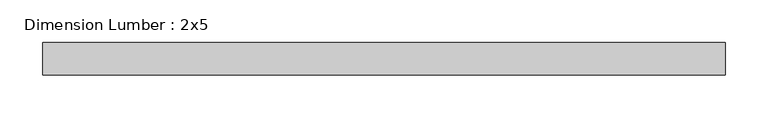
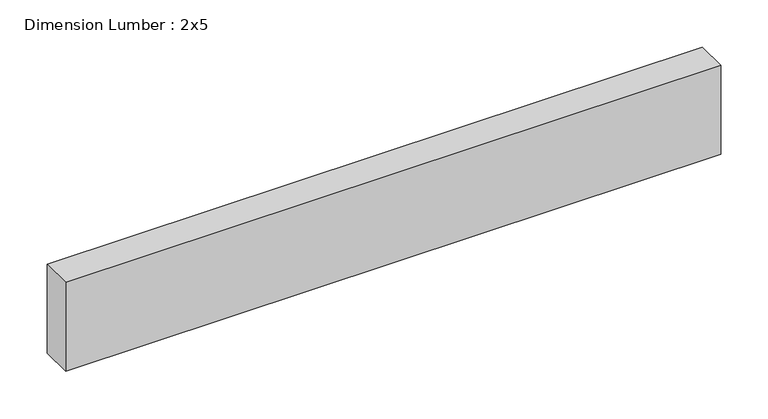
"""IFC4 building model written with IfcOpenShell, lengths in millimetres: beam geometry, Dimension Lumber : 2x5."""

from ifc_helpers import new_model, si_unit, frame, origin, place, context, project, spatial, polyline, outline, extrude, source, transform, mapped, element, save


def dimension_lumber_2x5_621cfc67(model_context):
    return source(origin(), model_context, "Body", "SweptSolid", [
        extrude(outline(polyline([(398.4697916, 19.05), (398.4697916, -19.05), (-398.4697916, -19.05), (-398.4697916, 19.05), (398.4697916, 19.05)])), frame((0.0, 0.0, -57.15), z_axis=(0.0, 0.0, 1.0), x_axis=(1.0, 0.0, 0.0)), (0.0, 0.0, 1.0), 114.3),
    ])


if __name__ == "__main__":
    model = new_model("IFC4")
    model_context = context("Model", 3, world=origin())
    ifc_project = project(units=[si_unit("LENGTHUNIT", "METRE", prefix="MILLI")], contexts=[model_context])
    site = spatial("IfcSite", under=ifc_project)
    building = spatial("IfcBuilding", under=site)
    placement = place(None, origin())
    dimension_lumber_2x5_shape = dimension_lumber_2x5_621cfc67(model_context)
    element("IfcBeam", 1, ObjectType="Dimension Lumber : 2x5", at=placement, inside=building, context=model_context, shape_type="MappedRepresentation", body=[
        mapped(dimension_lumber_2x5_shape, transform((0.0, 0.0, 0.0), x_axis=(1.0, 0.0, 0.0), y_axis=(0.0, 1.0, 0.0), z_axis=(0.0, 0.0, 1.0))),
    ])
    save(model, "model.ifc")
